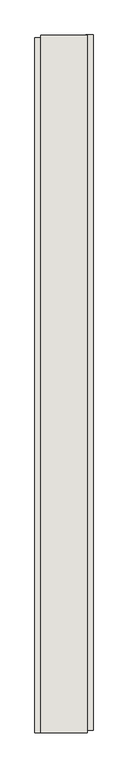
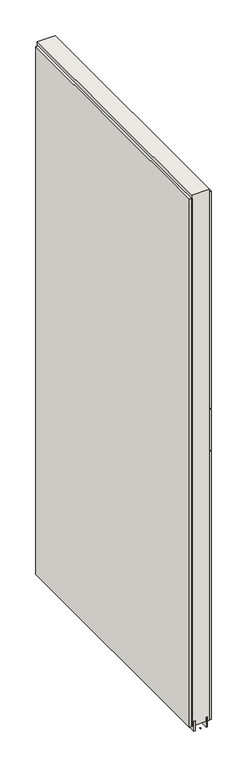
"""IFC4 building model written with IfcOpenShell, lengths in millimetres: wall geometry."""

from ifc_helpers import new_model, si_unit, frame, origin, place, context, project, spatial, polyline, outline, extrude, source, transform, mapped, element, save


def wall_c9322536(model_context):
    return source(origin(), model_context, "Body", "SweptSolid", [
        extrude(outline(polyline([(81688.342211, -49599.6255148), (81688.342211, -49597.0855148), (81690.882211, -49597.0855148), (81690.882211, -49599.6255148), (81688.342211, -49599.6255148)])), frame((0.0, 0.0, 4419.6), z_axis=(0.0, 0.0, 1.0), x_axis=(1.0, 0.0, 0.0)), (0.0, 0.0, 1.0), 2.54),
        extrude(outline(polyline([(81740.412211, -48379.9586882), (81740.412211, -49595.1586962), (81727.712211, -49595.1586962), (81727.712211, -48379.9586882), (81740.412211, -48379.9586882)])), frame((0.0, 0.0, 5945.599869), z_axis=(0.0, 0.0, 1.0), x_axis=(1.0, 0.0, 0.0)), (0.0, 0.0, 1.0), 1044.449905),
        extrude(outline(polyline([(81740.412211, -48379.9586882), (81740.412211, -49595.1586962), (81727.712211, -49595.1586962), (81727.712211, -48379.9586882), (81740.412211, -48379.9586882)])), frame((0.0, 0.0, 5742.3999706), z_axis=(0.0, 0.0, 1.0), x_axis=(1.0, 0.0, 0.0)), (0.0, 0.0, 1.0), 199.2000512),
        extrude(outline(polyline([(81740.412211, -48379.9586882), (81740.412211, -49595.1586962), (81727.712211, -49595.1586962), (81727.712211, -48379.9586882), (81740.412211, -48379.9586882)])), frame((0.0, 0.0, 4445.0), z_axis=(0.0, 0.0, 1.0), x_axis=(1.0, 0.0, 0.0)), (0.0, 0.0, 1.0), 1293.400004),
        extrude(outline(polyline([(81638.812211, -49600.088633), (81638.812211, -48384.888625), (81651.512211, -48384.888625), (81651.512211, -49600.088633), (81638.812211, -49600.088633)])), frame((0.0, 0.0, 4445.0), z_axis=(0.0, 0.0, 1.0), x_axis=(1.0, 0.0, 0.0)), (0.0, 0.0, 1.0), 2545.0498756),
        extrude(outline(polyline([(81714.6959556, -49599.6205618), (81714.6959556, -48380.4205618), (81719.774711, -48380.4205618), (81719.774711, -49599.6205618), (81714.6959556, -49599.6205618)])), frame((0.0, 0.0, 4418.6602), z_axis=(0.0, 0.0, 1.0), x_axis=(1.0, 0.0, 0.0)), (0.0, 0.0, 1.0), 47.625),
        extrude(outline(polyline([(81714.6959556, -49599.6205618), (81714.6959556, -48380.4205618), (81719.774711, -48380.4205618), (81719.774711, -49599.6205618), (81714.6959556, -49599.6205618)])), frame((0.0, 0.0, 4418.6602), z_axis=(0.0, 0.0, 1.0), x_axis=(1.0, 0.0, 0.0)), (0.0, 0.0, 1.0), 47.625),
        extrude(outline(polyline([(81664.5284664, -48380.4205618), (81664.5284664, -49599.6205618), (81659.449711, -49599.6205618), (81659.449711, -48380.4205618), (81664.5284664, -48380.4205618)])), frame((0.0, 0.0, 4418.6602), z_axis=(0.0, 0.0, 1.0), x_axis=(1.0, 0.0, 0.0)), (0.0, 0.0, 1.0), 47.625),
        extrude(outline(polyline([(81664.5284664, -48380.4205618), (81664.5284664, -49599.6205618), (81659.449711, -49599.6205618), (81659.449711, -48380.4205618), (81664.5284664, -48380.4205618)])), frame((0.0, 0.0, 4418.6602), z_axis=(0.0, 0.0, 1.0), x_axis=(1.0, 0.0, 0.0)), (0.0, 0.0, 1.0), 47.625),
        extrude(outline(polyline([(81730.2670954, -49599.6205618), (81648.9573266, -49599.6205618), (81648.9573266, -48380.4205618), (81730.2670954, -48380.4205618), (81730.2670954, -49599.6205618)])), frame((0.0, 0.0, 4445.0), z_axis=(0.0, 0.0, 1.0), x_axis=(1.0, 0.0, 0.0)), (0.0, 0.0, 1.0), 2562.4536762),
    ])


if __name__ == "__main__":
    model = new_model("IFC4")
    model_context = context("Model", 3, world=origin())
    ifc_project = project(units=[si_unit("LENGTHUNIT", "METRE", prefix="MILLI")], contexts=[model_context])
    site = spatial("IfcSite", under=ifc_project)
    building = spatial("IfcBuilding", under=site)
    placement = place(None, origin())
    wall_shape = wall_c9322536(model_context)
    element("IfcWall", 1, at=placement, inside=building, context=model_context, shape_type="MappedRepresentation", body=[
        mapped(wall_shape, transform((0.0, 0.0, 0.0), x_axis=(1.0, 0.0, 0.0), y_axis=(0.0, 1.0, 0.0), z_axis=(0.0, 0.0, 1.0))),
    ])
    save(model, "model.ifc")
